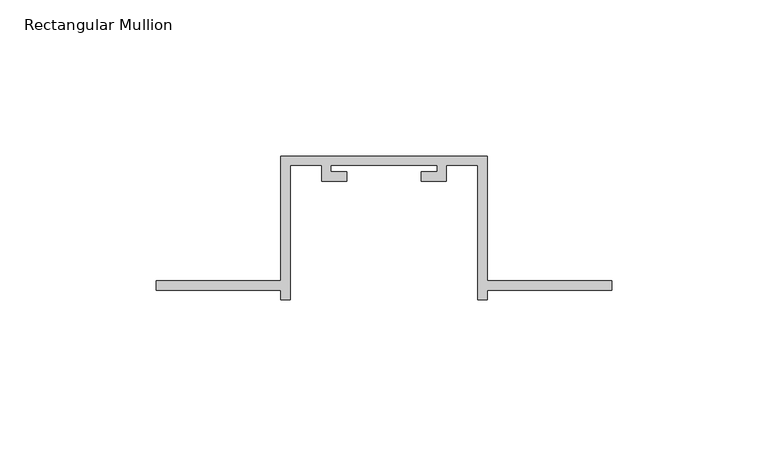
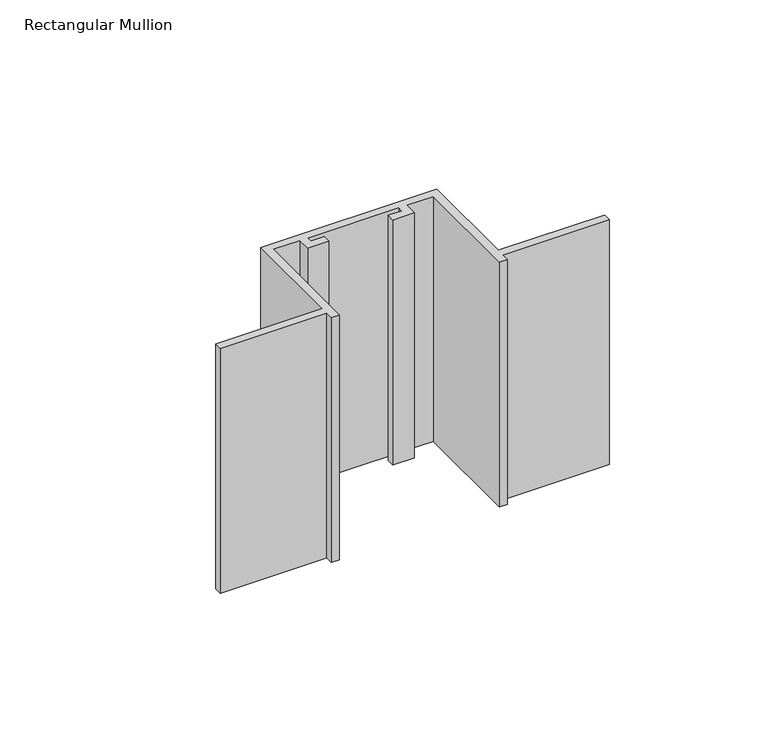
"""IFC4 building model written with IfcOpenShell, lengths in millimetres: member geometry, Rectangular Mullion."""

from ifc_helpers import new_model, si_unit, frame, origin, place, context, project, spatial, polyline, outline, extrude, source, transform, mapped, element, save


def rectangular_mullion_959dd994(model_context):
    return source(origin(), model_context, "Body", "SweptSolid", [
        extrude(outline(polyline([(-106.0, -132.0), (-146.0, -132.0), (-146.0, -129.0), (-106.0, -129.0), (-106.0, -89.0), (-40.0, -89.0), (-40.0, -129.0), (0.0, -129.0), (0.0, -132.0), (-40.0, -132.0), (-40.0, -135.0), (-43.0, -135.0), (-43.0, -92.0), (-53.0, -92.0), (-53.0, -97.0), (-61.0, -97.0), (-61.0, -94.0), (-56.0, -94.0), (-56.0, -92.0), (-90.0, -92.0), (-90.0, -94.0), (-85.0, -94.0), (-85.0, -97.0), (-93.0, -97.0), (-93.0, -92.0), (-103.0, -92.0), (-103.0, -135.0), (-106.0, -135.0), (-106.0, -132.0)])), frame((0.0, 0.0, -97.1692572), z_axis=(0.0, 0.0, 1.0), x_axis=(1.0, 0.0, 0.0)), (0.0, 0.0, 1.0), 97.1692572),
    ])


if __name__ == "__main__":
    model = new_model("IFC4")
    model_context = context("Model", 3, world=origin())
    ifc_project = project(units=[si_unit("LENGTHUNIT", "METRE", prefix="MILLI")], contexts=[model_context])
    site = spatial("IfcSite", under=ifc_project)
    building = spatial("IfcBuilding", under=site)
    placement = place(None, origin())
    rectangular_mullion_shape = rectangular_mullion_959dd994(model_context)
    element("IfcMember", 1, ObjectType="Rectangular Mullion", at=placement, inside=building, context=model_context, shape_type="MappedRepresentation", body=[
        mapped(rectangular_mullion_shape, transform((0.0, 0.0, 0.0), x_axis=(1.0, 0.0, 0.0), y_axis=(0.0, 1.0, 0.0), z_axis=(0.0, 0.0, 1.0))),
    ])
    save(model, "model.ifc")
